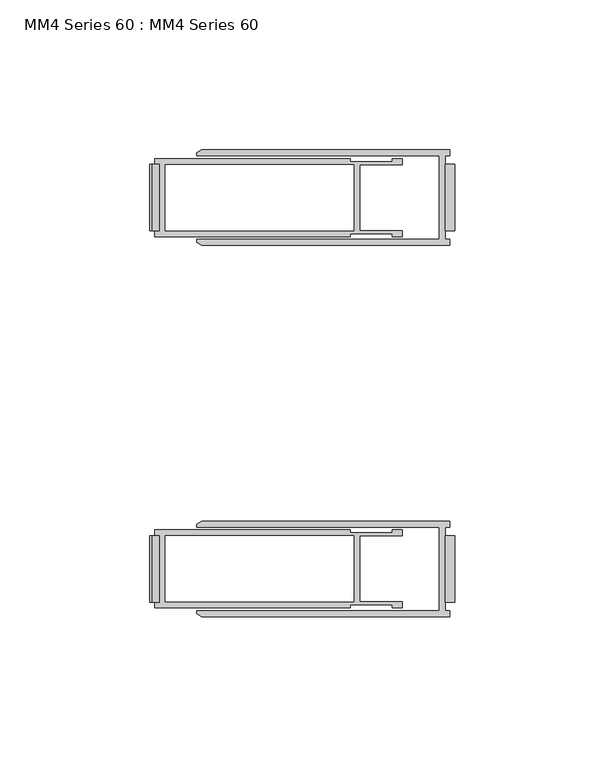
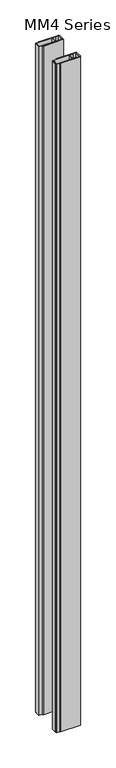
"""IFC4 building model written with IfcOpenShell, lengths in millimetres: proxy geometry, MM4 Series 60 : MM4 Series 60."""

from ifc_helpers import new_model, si_unit, frame, origin, origin_with_axes, place, context, project, spatial, polyline, outline, extrude, source, transform, mapped, element, save


def mm4_series_60_mm4_series_60_3ece274b(model_context):
    return source(origin(), model_context, "Body", "SweptSolid", [
        extrude(outline(polyline([(0.0, -98.425), (2921.0, -98.425), (2921.0, -100.80625), (2920.20625, -100.80625), (2920.20625, -101.6), (0.79375, -101.6), (0.79375, -100.80625), (0.0, -100.80625), (0.0, -98.425)])), frame((0.0, 50.8, 0.0), z_axis=(0.0, 1.0, 0.0), x_axis=(0.0, 0.0, 1.0)), (0.0, 0.0, 1.0), 22.225),
        extrude(outline(polyline([(-3.175, 50.8), (-3.175, 73.025), (0.0, 73.025), (0.0, 50.8), (-3.175, 50.8)])), origin_with_axes(), (0.0, 0.0, 1.0), 2921.0),
        extrude(outline(polyline([(-3.175, -50.8), (0.0, -50.8), (0.0, -73.025), (-3.175, -73.025), (-3.175, -50.8)])), origin_with_axes(), (0.0, 0.0, 1.0), 2921.0),
        extrude(outline(polyline([(0.0, -98.425), (2921.0, -98.425), (2921.0, -100.80625), (2920.20625, -100.80625), (2920.20625, -101.6), (0.79375, -101.6), (0.79375, -100.80625), (0.0, -100.80625), (0.0, -98.425)])), frame((0.0, -73.025, 0.0), z_axis=(0.0, 1.0, 0.0), x_axis=(0.0, 0.0, 1.0)), (0.0, 0.0, 1.0), 22.225),
        extrude(outline(polyline([(-84.3041371, 77.7875), (-1.5875, 77.7875), (-1.5875, 75.803125), (-3.175, 75.803125), (-3.175, 48.021875), (-1.5875, 48.021875), (-1.5875, 46.0375), (-84.3041371, 46.0375), (-86.0226562, 47.0296875), (-86.0226562, 48.021875), (-5.159375, 48.021875), (-5.159375, 75.803125), (-86.0226562, 75.803125), (-86.0226562, 76.7953125), (-84.3041371, 77.7875)])), origin_with_axes(), (0.0, 0.0, 1.0), 2921.0),
        extrude(outline(polyline([(-84.3041371, -46.0375), (-1.5875, -46.0375), (-1.5875, -48.021875), (-3.175, -48.021875), (-3.175, -75.803125), (-1.5875, -75.803125), (-1.5875, -77.7875), (-84.3041371, -77.7875), (-86.0226562, -76.7953125), (-86.0226562, -75.803125), (-5.159375, -75.803125), (-5.159375, -48.021875), (-86.0226562, -48.021875), (-86.0226562, -47.0296875), (-84.3041371, -46.0375)])), origin_with_axes(), (0.0, 0.0, 1.0), 2921.0),
        extrude(outline(polyline([(-100.0125, 50.8706437), (-98.425, 50.8706437), (-98.425, 72.9543562), (-100.0125, 72.9543562), (-100.0125, 74.9101562), (-34.8257812, 74.9101562), (-34.8257812, 73.9179687), (-20.8359375, 73.9179687), (-20.8359375, 74.9101562), (-17.4625, 74.9101562), (-17.4625, 72.9257812), (-31.6507812, 72.9257812), (-31.6507812, 50.8992187), (-17.4625, 50.8992187), (-17.4625, 48.9148437), (-20.8359375, 48.9148437), (-20.8359375, 49.9070312), (-34.8257812, 49.9070312), (-34.8257812, 48.9148437), (-100.0125, 48.9148437), (-100.0125, 50.8706437)]), holes=[polyline([(-96.440625, 72.9257812), (-96.440625, 50.8992187), (-33.6351562, 50.8992187), (-33.6351562, 72.9257812), (-96.440625, 72.9257812)])]), origin_with_axes(), (0.0, 0.0, 1.0), 2921.0),
        extrude(outline(polyline([(-100.0125, -72.9543563), (-98.425, -72.9543563), (-98.425, -50.8706438), (-100.0125, -50.8706438), (-100.0125, -48.9148438), (-34.8257812, -48.9148438), (-34.8257812, -49.9070313), (-20.8359375, -49.9070313), (-20.8359375, -48.9148438), (-17.4625, -48.9148438), (-17.4625, -50.8992188), (-31.6507812, -50.8992188), (-31.6507812, -72.9257813), (-17.4625, -72.9257813), (-17.4625, -74.9101563), (-20.8359375, -74.9101563), (-20.8359375, -73.9179688), (-34.8257812, -73.9179688), (-34.8257812, -74.9101563), (-100.0125, -74.9101563), (-100.0125, -72.9543563)]), holes=[polyline([(-33.6351562, -72.9257813), (-33.6351562, -50.8992188), (-96.440625, -50.8992188), (-96.440625, -72.9257813), (-33.6351562, -72.9257813)])]), origin_with_axes(), (0.0, 0.0, 1.0), 2921.0),
    ])


if __name__ == "__main__":
    model = new_model("IFC4")
    model_context = context("Model", 3, world=origin())
    ifc_project = project(units=[si_unit("LENGTHUNIT", "METRE", prefix="MILLI")], contexts=[model_context])
    site = spatial("IfcSite", under=ifc_project)
    building = spatial("IfcBuilding", under=site)
    placement = place(None, origin())
    mm4_series_60_mm4_series_60_shape = mm4_series_60_mm4_series_60_3ece274b(model_context)
    element("IfcBuildingElementProxy", 1, Name="MM4 Series 60 : MM4 Series 60", ObjectType="MM4 Series 60 : MM4 Series 60", at=placement, inside=building, context=model_context, shape_type="MappedRepresentation", body=[
        mapped(mm4_series_60_mm4_series_60_shape, transform((0.0, 0.0, 0.0), x_axis=(1.0, 0.0, 0.0), y_axis=(0.0, 1.0, 0.0), z_axis=(0.0, 0.0, 1.0))),
    ])
    save(model, "model.ifc")
